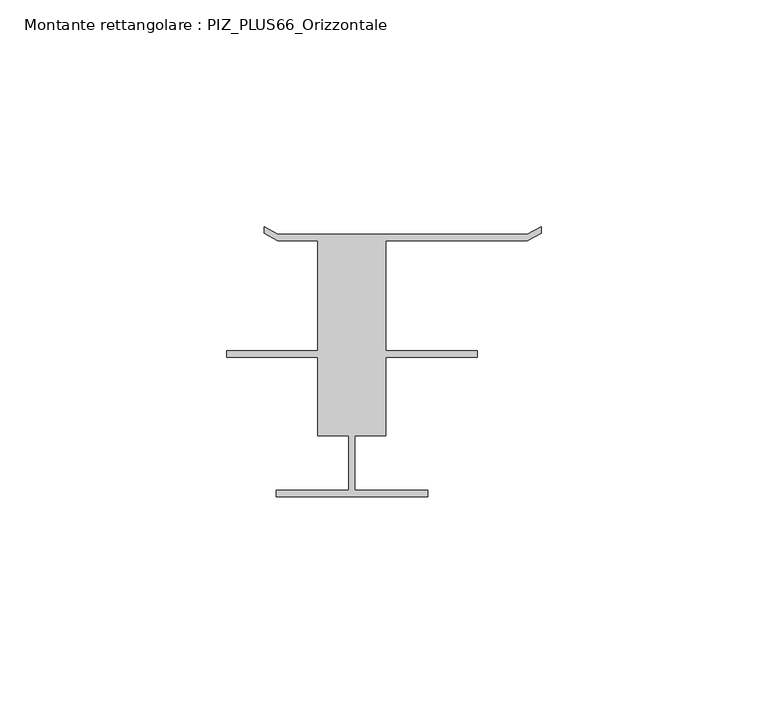
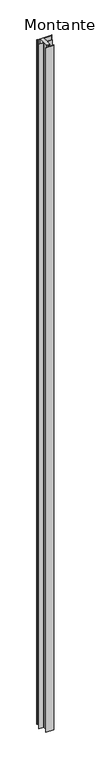
"""IFC4 building model written with IfcOpenShell, lengths in millimetres: member geometry, Montante rettangolare : PIZ_PLUS66_Orizzontale."""

from ifc_helpers import new_model, si_unit, frame, origin, place, context, project, spatial, polyline, outline, extrude, source, transform, mapped, element, save


def montante_rettangolare_piz_plus66_orizzontale_276492bf(model_context):
    return source(origin(), model_context, "Body", "SweptSolid", [
        extrude(outline(polyline([(18.6503773, -57.8), (-14.7496227, -57.8), (-14.7496227, -56.4), (1.2503773, -56.4), (1.2503773, -44.4), (-5.6222523, -44.4), (-5.6222523, -27.1), (-25.6189153, -27.1), (-25.6189153, -25.7), (-5.6222523, -25.7), (-5.6222523, -1.4), (-14.4222523, -1.4), (-17.4222523, 0.2), (-17.4222523, 1.6), (-14.4222523, 0.0), (40.5777477, 0.0), (43.5777477, 1.6), (43.5777477, 0.2), (40.5777477, -1.4), (9.3777477, -1.4), (9.3777477, -25.7), (29.575796, -25.7), (29.575796, -27.1), (9.3777477, -27.1), (9.3777477, -44.4), (2.5777477, -44.4), (2.5777477, -56.4), (18.6503773, -56.4), (18.6503773, -57.8)])), frame((0.0, 0.0, -3000.0), z_axis=(0.0, 0.0, 1.0), x_axis=(1.0, 0.0, 0.0)), (0.0, 0.0, 1.0), 3000.0),
    ])


if __name__ == "__main__":
    model = new_model("IFC4")
    model_context = context("Model", 3, world=origin())
    ifc_project = project(units=[si_unit("LENGTHUNIT", "METRE", prefix="MILLI")], contexts=[model_context])
    site = spatial("IfcSite", under=ifc_project)
    building = spatial("IfcBuilding", under=site)
    placement = place(None, origin())
    montante_rettangolare_piz_plus66_orizzontale_shape = montante_rettangolare_piz_plus66_orizzontale_276492bf(model_context)
    element("IfcMember", 1, ObjectType="Montante rettangolare : PIZ_PLUS66_Orizzontale", at=placement, inside=building, context=model_context, shape_type="MappedRepresentation", body=[
        mapped(montante_rettangolare_piz_plus66_orizzontale_shape, transform((0.0, 0.0, 0.0), x_axis=(1.0, 0.0, 0.0), y_axis=(0.0, 1.0, 0.0), z_axis=(0.0, 0.0, 1.0))),
    ])
    save(model, "model.ifc")
